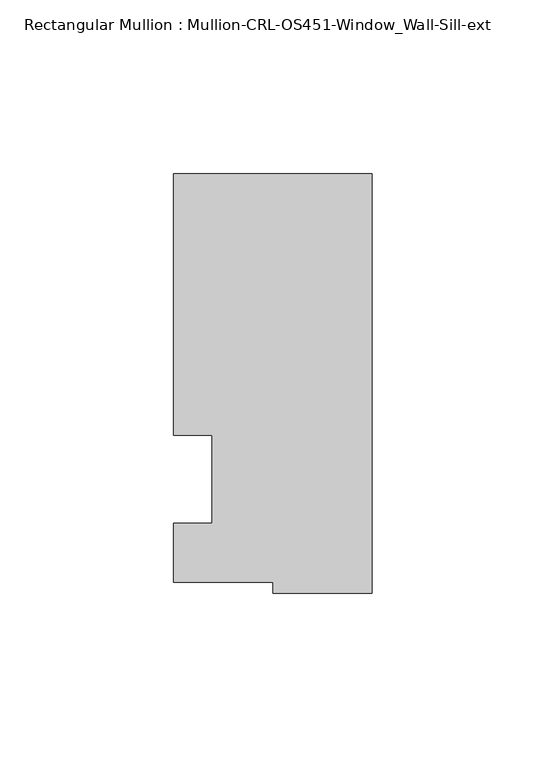
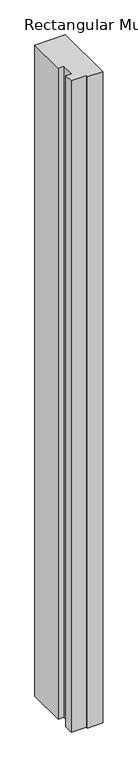
"""IFC4 building model written with IfcOpenShell, lengths in millimetres: member geometry, Rectangular Mullion : Mullion-CRL-OS451-Window_Wall-Sill-ext."""

import ifcopenshell
import ifcopenshell.guid

model = None  # the IFC model being written
_history = None  # IfcOwnerHistory: only IFC2X3 demands one
_inside = {}  # id of a spatial element -> (the spatial element, [elements in it])
_under = {}  # id of a project, library or spatial element -> (it, [spatial elements below it])
_declared = {}  # id of a project -> (the project, [libraries it declares])
_typed = {}  # id of a type object -> (the type object, [elements of that type])
_made_of = {}  # id of a material, layer set ... -> (it, [elements and type objects made of it])


def new_model(schema):
    """Start an empty IFC model of exactly this schema.

    Asked for "IFC4X3", IfcOpenShell would pick the latest addendum, in which some entities
    have other attributes; the version numbers below select the first issue.
    IFC2X3 requires an IfcOwnerHistory on every rooted entity: one is made here for all.
    """
    global model, _history
    if schema == "IFC4X3":
        model = ifcopenshell.file(schema_version=(4, 3, 0, 0))
    else:
        model = ifcopenshell.file(schema=schema)
    _inside.clear()
    _under.clear()
    _declared.clear()
    _typed.clear()
    _made_of.clear()
    _history = None
    if model.schema == "IFC2X3":
        org = make("IfcOrganization", Name="unknown")
        user = make(
            "IfcPersonAndOrganization",
            ThePerson=make("IfcPerson", FamilyName="unknown"),
            TheOrganization=org,
        )
        app = make(
            "IfcApplication",
            ApplicationDeveloper=org,
            Version="unknown",
            ApplicationFullName="unknown",
            ApplicationIdentifier="unknown",
        )
        _history = make(
            "IfcOwnerHistory",
            OwningUser=user,
            OwningApplication=app,
            ChangeAction="ADDED",
            CreationDate=0,
        )
    return model


def make(cls, **values):
    """One entity of the class cls with the attributes given. An attribute that is None is left unset."""
    return model.create_entity(
        cls, **{name: value for name, value in values.items() if value is not None}
    )


def rooted(cls, **values):
    """An entity with a GlobalId (a new one), such as an element, a storey or a relation."""
    return make(cls, GlobalId=ifcopenshell.guid.new(), OwnerHistory=_history, **values)


def si_unit(unit_type, name, prefix=None):
    """IfcSIUnit, for example si_unit("LENGTHUNIT", "METRE", prefix="MILLI")."""
    return make("IfcSIUnit", UnitType=unit_type, Prefix=prefix, Name=name)


def assignment(units):
    """IfcUnitAssignment: the units of a project."""
    return None if units is None else make("IfcUnitAssignment", Units=units)


def point(xyz):
    """IfcCartesianPoint."""
    return None if xyz is None else make("IfcCartesianPoint", Coordinates=xyz)


def direction(xyz):
    """IfcDirection."""
    return None if xyz is None else make("IfcDirection", DirectionRatios=xyz)


def frame(location, z_axis=None, x_axis=None):
    """IfcAxis2Placement3D, a coordinate frame: its origin and axes. An axis left out is left unset."""
    return make(
        "IfcAxis2Placement3D",
        Location=point(location),
        Axis=direction(z_axis),
        RefDirection=direction(x_axis),
    )


def origin():
    """The frame at (0, 0, 0) with its axes left unset."""
    return frame((0.0, 0.0, 0.0))


def place(relative_to, where):
    """IfcLocalPlacement: puts the frame where relative to a parent placement (None: the world)."""
    return make(
        "IfcLocalPlacement", PlacementRelTo=relative_to, RelativePlacement=where
    )


def context(
    kind, dimensions, precision=None, world=None, true_north=None, identifier=None
):
    """IfcGeometricRepresentationContext, for example the 3D "Model" context."""
    return make(
        "IfcGeometricRepresentationContext",
        ContextIdentifier=identifier,
        ContextType=kind,
        CoordinateSpaceDimension=dimensions,
        Precision=precision,
        WorldCoordinateSystem=world,
        TrueNorth=true_north,
    )


def project(units=None, contexts=None):
    """IfcProject with its units and contexts."""
    return rooted(
        "IfcProject",
        Name="project",
        RepresentationContexts=contexts,
        UnitsInContext=assignment(units),
    )


def spatial(cls, under=None, at=None, **own):
    """A site, building, storey or space (cls), placed at a placement, below another one or the project."""
    s = rooted(cls, ObjectPlacement=at, **own)
    if under is not None:
        _under.setdefault(under.id(), (under, []))[1].append(s)
    return s


def polyline(points):
    """IfcPolyline through the points."""
    return make("IfcPolyline", Points=[point(p) for p in points])


def outline(outer, holes=None, kind="AREA"):
    """IfcArbitraryClosedProfileDef: a profile drawn as a closed curve; with holes, ...WithVoids."""
    if holes is None:
        return make("IfcArbitraryClosedProfileDef", ProfileType=kind, OuterCurve=outer)
    return make(
        "IfcArbitraryProfileDefWithVoids",
        ProfileType=kind,
        OuterCurve=outer,
        InnerCurves=holes,
    )


def extrude(swept, where, along, depth):
    """IfcExtrudedAreaSolid: the profile swept, set in the frame where, extruded along a direction by depth."""
    return make(
        "IfcExtrudedAreaSolid",
        SweptArea=swept,
        Position=where,
        ExtrudedDirection=direction(along),
        Depth=depth,
    )


def shape(context_of_items, identifier, shape_type, items):
    """IfcShapeRepresentation: the items that make up one representation, for example the "Body"."""
    return make(
        "IfcShapeRepresentation",
        ContextOfItems=context_of_items,
        RepresentationIdentifier=identifier,
        RepresentationType=shape_type,
        Items=items,
    )


def source(mapping_origin, context_of_items, identifier, shape_type, items):
    """IfcRepresentationMap: a shape defined once, which mapped items show again and again."""
    return make(
        "IfcRepresentationMap",
        MappingOrigin=mapping_origin,
        MappedRepresentation=shape(context_of_items, identifier, shape_type, items),
    )


def transform(
    local_origin,
    x_axis=None,
    y_axis=None,
    z_axis=None,
    scale=None,
    scale2=None,
    scale3=None,
    uniform=True,
):
    """IfcCartesianTransformationOperator3D, or its non-uniform kind. x_axis, y_axis, z_axis: its Axis1, 2, 3."""
    if uniform:
        return make(
            "IfcCartesianTransformationOperator3D",
            Axis1=direction(x_axis),
            Axis2=direction(y_axis),
            LocalOrigin=point(local_origin),
            Scale=scale,
            Axis3=direction(z_axis),
        )
    return make(
        "IfcCartesianTransformationOperator3DnonUniform",
        Axis1=direction(x_axis),
        Axis2=direction(y_axis),
        LocalOrigin=point(local_origin),
        Scale=scale,
        Axis3=direction(z_axis),
        Scale2=scale2,
        Scale3=scale3,
    )


def mapped(mapping_source, mapping_target):
    """IfcMappedItem: shows the shape of a source again, moved by a transform."""
    return make(
        "IfcMappedItem", MappingSource=mapping_source, MappingTarget=mapping_target
    )


def made_of(thing, what):
    """Note that an element or type object is made of a material, layer set ...; save() writes the relation."""
    if what is not None:
        _made_of.setdefault(what.id(), (what, []))[1].append(thing)
    return thing


def element(
    cls,
    number,
    at=None,
    inside=None,
    cuts=None,
    type_object=None,
    material=None,
    context=None,
    identifier="Body",
    shape_type=None,
    held_by="IfcProductDefinitionShape",
    body=None,
    shapes=None,
    **own,
):
    """One element of the class cls, such as IfcWall. Its Tag is "e" and its number.

    at: its placement. inside: the storey or other place that contains it. cuts: it is an
    opening in that element (IfcRelVoidsElement). A single representation is given by context,
    identifier, shape_type and body (its items); several are given by shapes. held_by: the class
    of the entity that holds the representations. save() writes the other relations.
    """
    e = rooted(cls, Tag="e%d" % number, ObjectPlacement=at, **own)
    if body is not None:
        shapes = [shape(context, identifier, shape_type, body)]
    if shapes is not None:
        e.Representation = make(held_by, Representations=shapes)
    if inside is not None:
        _inside.setdefault(inside.id(), (inside, []))[1].append(e)
    if cuts is not None:
        rooted(
            "IfcRelVoidsElement", RelatingBuildingElement=cuts, RelatedOpeningElement=e
        )
    if type_object is not None:
        _typed.setdefault(type_object.id(), (type_object, []))[1].append(e)
    return made_of(e, material)


def aggregate(whole, parts):
    """IfcRelAggregates: a whole, such as a stair, and the parts it consists of."""
    return rooted("IfcRelAggregates", RelatingObject=whole, RelatedObjects=parts)


def save(model, path):
    """Write the relations noted so far, then the file.

    IfcRelAggregates (storeys below a building ...), IfcRelContainedInSpatialStructure (elements
    in a storey), IfcRelDefinesByType, IfcRelAssociatesMaterial and IfcRelDeclares: one each for
    every whole, place, type object, material and project.
    """
    for whole, parts in _under.values():
        aggregate(whole, parts)
    for where, things in _inside.values():
        rooted(
            "IfcRelContainedInSpatialStructure",
            RelatedElements=things,
            RelatingStructure=where,
        )
    for kind, things in _typed.values():
        rooted("IfcRelDefinesByType", RelatedObjects=things, RelatingType=kind)
    for what, things in _made_of.values():
        rooted("IfcRelAssociatesMaterial", RelatedObjects=things, RelatingMaterial=what)
    for by, libraries in _declared.values():
        rooted("IfcRelDeclares", RelatingContext=by, RelatedDefinitions=libraries)
    model.write(path)


def rectangular_mullion_mullion_crl_os451_window_wall_sill_ext_623b88ec(model_context):
    return source(origin(), model_context, "Body", "SweptSolid", [
        extrude(outline(polyline([(0.0, -32.9071485), (-28.5560481, -32.9071485), (-28.5560481, -29.6531114), (-57.1524558, -29.6531114), (-57.1524558, -12.7), (-46.0527457, -12.7), (-46.0527457, 12.7), (-57.1524558, 12.7), (-57.1524558, 87.8952515), (0.0, 87.8952515), (0.0, -32.9071485)])), frame((0.0, 0.0, -1290.1083332), z_axis=(0.0, 0.0, 1.0), x_axis=(1.0, 0.0, 0.0)), (0.0, 0.0, 1.0), 1290.1083332),
    ])


if __name__ == "__main__":
    model = new_model("IFC4")
    model_context = context("Model", 3, world=origin())
    ifc_project = project(units=[si_unit("LENGTHUNIT", "METRE", prefix="MILLI")], contexts=[model_context])
    site = spatial("IfcSite", under=ifc_project)
    building = spatial("IfcBuilding", under=site)
    placement = place(None, origin())
    rectangular_mullion_mullion_crl_os451_window_wall_sill_ext_shape = rectangular_mullion_mullion_crl_os451_window_wall_sill_ext_623b88ec(model_context)
    element("IfcMember", 1, ObjectType="Rectangular Mullion : Mullion-CRL-OS451-Window_Wall-Sill-ext", at=placement, inside=building, context=model_context, shape_type="MappedRepresentation", body=[
        mapped(rectangular_mullion_mullion_crl_os451_window_wall_sill_ext_shape, transform((0.0, 0.0, 0.0), x_axis=(1.0, 0.0, 0.0), y_axis=(0.0, 1.0, 0.0), z_axis=(0.0, 0.0, 1.0))),
    ])
    save(model, "model.ifc")
